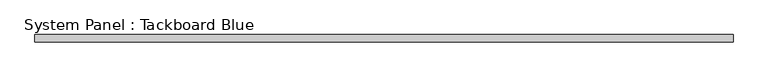
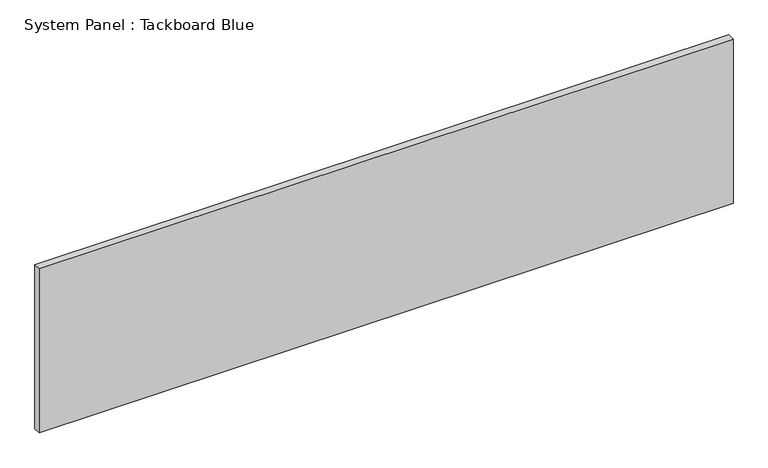
"""IFC4 building model written with IfcOpenShell, lengths in millimetres: plate geometry, System Panel : Tackboard Blue."""

from ifc_helpers import new_model, si_unit, origin, origin_with_axes, place, context, project, spatial, polyline, outline, extrude, source, transform, mapped, element, save


def system_panel_tackboard_blue_a799cafa(model_context):
    return source(origin(), model_context, "Body", "SweptSolid", [
        extrude(outline(polyline([(1219.2, -25.4), (-1219.2, -25.4), (-1219.2, 0.0), (1219.2, 0.0), (1219.2, -25.4)])), origin_with_axes(), (0.0, 0.0, 1.0), 609.6),
    ])


if __name__ == "__main__":
    model = new_model("IFC4")
    model_context = context("Model", 3, world=origin())
    ifc_project = project(units=[si_unit("LENGTHUNIT", "METRE", prefix="MILLI")], contexts=[model_context])
    site = spatial("IfcSite", under=ifc_project)
    building = spatial("IfcBuilding", under=site)
    placement = place(None, origin())
    system_panel_tackboard_blue_shape = system_panel_tackboard_blue_a799cafa(model_context)
    element("IfcPlate", 1, ObjectType="System Panel : Tackboard Blue", at=placement, inside=building, context=model_context, shape_type="MappedRepresentation", body=[
        mapped(system_panel_tackboard_blue_shape, transform((0.0, 0.0, 0.0), x_axis=(1.0, 0.0, 0.0), y_axis=(0.0, 1.0, 0.0), z_axis=(0.0, 0.0, 1.0))),
    ])
    save(model, "model.ifc")
